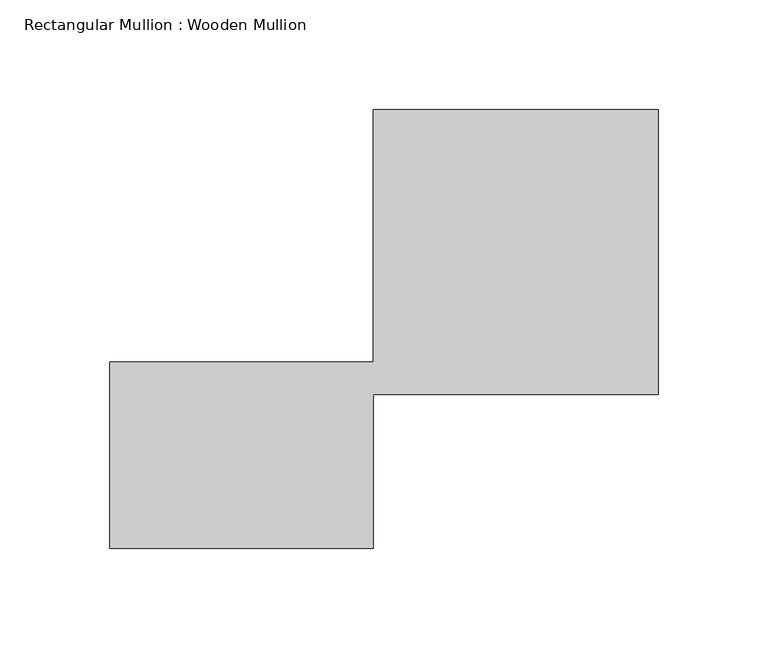
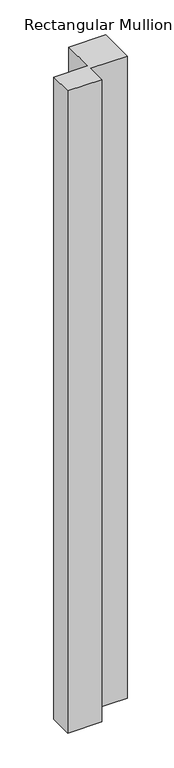
"""IFC4 building model written with IfcOpenShell, lengths in millimetres: member geometry, Rectangular Mullion : Wooden Mullion."""

from ifc_helpers import new_model, si_unit, frame, origin, place, context, project, spatial, polyline, outline, extrude, source, transform, mapped, element, save


def rectangular_mullion_wooden_mullion_a4a12ba1(model_context):
    return source(origin(), model_context, "Body", "SweptSolid", [
        extrude(outline(polyline([(-130.0, -26.0137344), (-250.0, -26.0137344), (-250.0, 58.9862656), (-130.0, 58.9862656), (-130.0, 173.9862656), (0.0, 173.9862656), (0.0, 43.9862656), (-130.0, 43.9862656), (-130.0, -26.0137344)])), frame((0.0, 0.0, -2391.1361062), z_axis=(0.0, 0.0, 1.0), x_axis=(1.0, 0.0, 0.0)), (0.0, 0.0, 1.0), 2391.1361062),
    ])


if __name__ == "__main__":
    model = new_model("IFC4")
    model_context = context("Model", 3, world=origin())
    ifc_project = project(units=[si_unit("LENGTHUNIT", "METRE", prefix="MILLI")], contexts=[model_context])
    site = spatial("IfcSite", under=ifc_project)
    building = spatial("IfcBuilding", under=site)
    placement = place(None, origin())
    rectangular_mullion_wooden_mullion_shape = rectangular_mullion_wooden_mullion_a4a12ba1(model_context)
    element("IfcMember", 1, ObjectType="Rectangular Mullion : Wooden Mullion", at=placement, inside=building, context=model_context, shape_type="MappedRepresentation", body=[
        mapped(rectangular_mullion_wooden_mullion_shape, transform((0.0, 0.0, 0.0), x_axis=(1.0, 0.0, 0.0), y_axis=(0.0, 1.0, 0.0), z_axis=(0.0, 0.0, 1.0))),
    ])
    save(model, "model.ifc")
